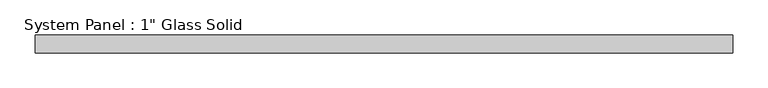
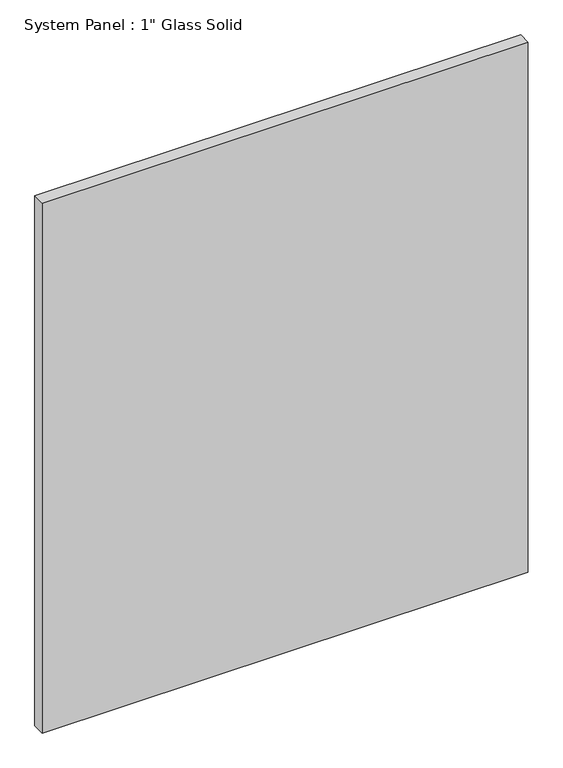
"""IFC4 building model written with IfcOpenShell, lengths in millimetres: plate geometry."""

from ifc_helpers import new_model, si_unit, origin, origin_with_axes, place, context, project, spatial, polyline, outline, extrude, source, transform, mapped, element, save


def plate_0476134b(model_context):
    return source(origin(), model_context, "Body", "SweptSolid", [
        extrude(outline(polyline([(495.3, -12.7), (-495.3, -12.7), (-495.3, 12.7), (495.3, 12.7), (495.3, -12.7)])), origin_with_axes(), (0.0, 0.0, 1.0), 1141.8405973),
    ])


if __name__ == "__main__":
    model = new_model("IFC4")
    model_context = context("Model", 3, world=origin())
    ifc_project = project(units=[si_unit("LENGTHUNIT", "METRE", prefix="MILLI")], contexts=[model_context])
    site = spatial("IfcSite", under=ifc_project)
    building = spatial("IfcBuilding", under=site)
    placement = place(None, origin())
    plate_shape = plate_0476134b(model_context)
    element("IfcPlate", 1, ObjectType="System Panel : 1\" Glass Solid", at=placement, inside=building, context=model_context, shape_type="MappedRepresentation", body=[
        mapped(plate_shape, transform((0.0, 0.0, 0.0), x_axis=(1.0, 0.0, 0.0), y_axis=(0.0, 1.0, 0.0), z_axis=(0.0, 0.0, 1.0))),
    ])
    save(model, "model.ifc")
